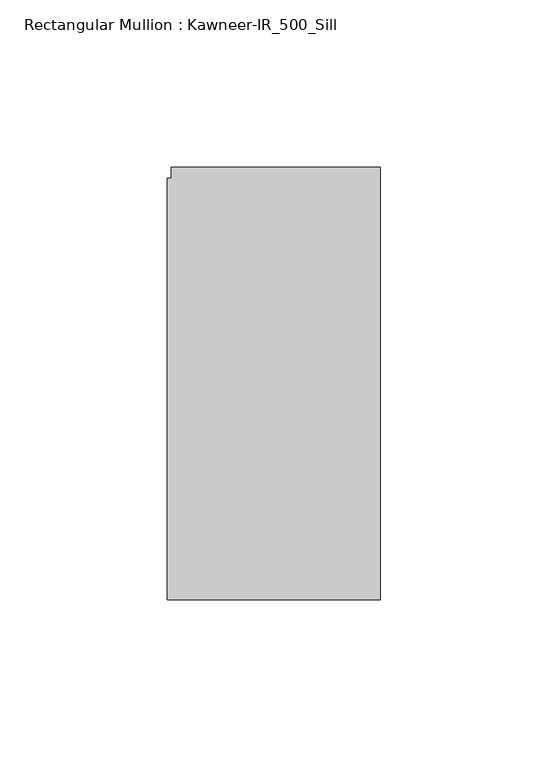
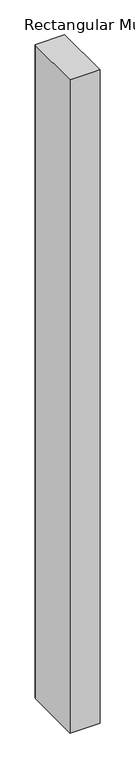
"""IFC4 building model written with IfcOpenShell, lengths in millimetres: member geometry, Rectangular Mullion : Kawneer-IR_500_Sill."""

from ifc_helpers import new_model, si_unit, frame, origin, place, context, project, spatial, polyline, outline, extrude, source, transform, mapped, element, save


def rectangular_mullion_kawneer_ir_500_sill_cf900b34(model_context):
    return source(origin(), model_context, "Body", "SweptSolid", [
        extrude(outline(polyline([(0.0, 66.1665024), (0.0, -62.8793406), (-63.5, -62.8793406), (-63.5, 62.9014594), (-62.4426488, 62.9014594), (-62.4426488, 66.1665024), (0.0, 66.1665024)])), frame((0.0, 0.0, -1460.3797337), z_axis=(0.0, 0.0, 1.0), x_axis=(1.0, 0.0, 0.0)), (0.0, 0.0, 1.0), 1460.3797337),
    ])


if __name__ == "__main__":
    model = new_model("IFC4")
    model_context = context("Model", 3, world=origin())
    ifc_project = project(units=[si_unit("LENGTHUNIT", "METRE", prefix="MILLI")], contexts=[model_context])
    site = spatial("IfcSite", under=ifc_project)
    building = spatial("IfcBuilding", under=site)
    placement = place(None, origin())
    rectangular_mullion_kawneer_ir_500_sill_shape = rectangular_mullion_kawneer_ir_500_sill_cf900b34(model_context)
    element("IfcMember", 1, ObjectType="Rectangular Mullion : Kawneer-IR_500_Sill", at=placement, inside=building, context=model_context, shape_type="MappedRepresentation", body=[
        mapped(rectangular_mullion_kawneer_ir_500_sill_shape, transform((0.0, 0.0, 0.0), x_axis=(1.0, 0.0, 0.0), y_axis=(0.0, 1.0, 0.0), z_axis=(0.0, 0.0, 1.0))),
    ])
    save(model, "model.ifc")
